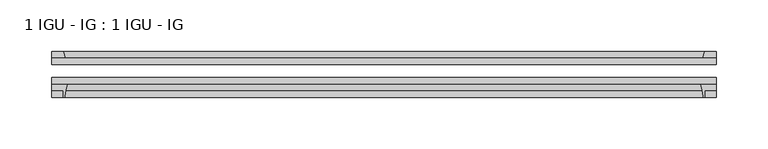
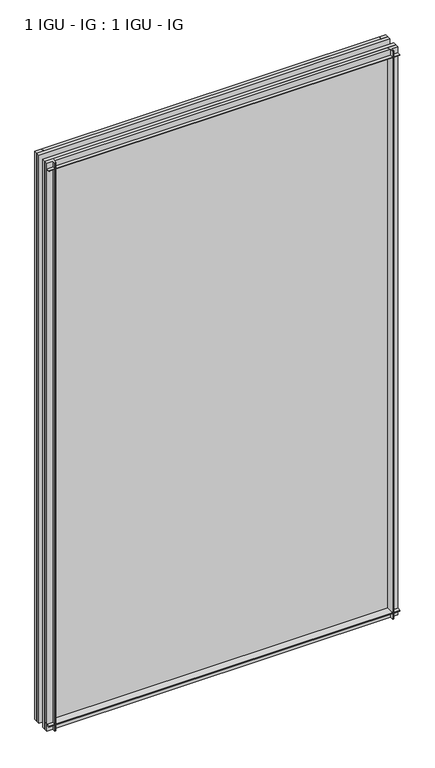
"""IFC4 building model written with IfcOpenShell, lengths in millimetres: plate geometry, 1 IGU - IG : 1 IGU - IG."""

from ifc_helpers import new_model, si_unit, point, frame, frame_2d, origin, place, context, project, spatial, polyline, circle_curve, trimmed, segment, composite_curve, outline, extrude, source, transform, mapped, element, save


def plate_1_igu_ig_1_igu_ig_d3852335(model_context):
    return source(origin(), model_context, "Body", "SweptSolid", [
        extrude(outline(polyline([(340.8983699, -31.75), (340.8983699, -38.1), (-302.7983699, -38.1), (-302.7983699, -31.75), (340.8983699, -31.75)])), frame((0.0, 0.0, -11.1125), z_axis=(0.0, 0.0, 1.0), x_axis=(1.0, 0.0, 0.0)), (0.0, 0.0, 1.0), 1101.725),
        extrude(outline(polyline([(-302.7983699, -12.7), (340.8983699, -12.7), (340.8983699, -19.05), (-302.7983699, -19.05), (-302.7983699, -12.7)])), frame((0.0, 0.0, -11.1125), z_axis=(0.0, 0.0, 1.0), x_axis=(1.0, 0.0, 0.0)), (0.0, 0.0, 1.0), 1101.725),
        extrude(outline(composite_curve([segment(polyline([(-302.7983699, -38.1), (-287.5046907, -38.1)]), True, "CONTINUOUS"), segment(trimmed(circle_curve(frame_2d((-244.2456744, -53.3794536)), 45.8781451), [point((-287.5046907, -38.1))], [point((-290.0059272, -50.0925922))], True, "CARTESIAN"), True, "CONTINUOUS"), segment(trimmed(circle_curve(frame_2d((-290.7659691, -50.038)), 0.762), [point((-290.0059272, -50.0925922))], [point((-290.7659691, -50.8))], False, "CARTESIAN"), True, "CONTINUOUS"), segment(polyline([(-290.7659691, -50.8), (-291.6858699, -50.8), (-291.6858699, -44.45), (-302.7983699, -44.45), (-302.7983699, -38.1)]), True, "CONTINUOUS")], self_intersect=False)), frame((0.0, 0.0, -11.1125), z_axis=(0.0, 0.0, 1.0), x_axis=(1.0, 0.0, 0.0)), (0.0, 0.0, 1.0), 1101.725),
        extrude(outline(polyline([(-289.5805929, -12.7), (-302.7983699, -12.7), (-302.7983699, -6.35), (-291.6858699, -6.35), (-289.5805929, -12.7)])), frame((0.0, 0.0, -11.1125), z_axis=(0.0, 0.0, 1.0), x_axis=(1.0, 0.0, 0.0)), (0.0, 0.0, 1.0), 1101.725),
        extrude(outline(polyline([(340.8983699, -12.7), (327.6805929, -12.7), (329.7858699, -6.35), (340.8983699, -6.35), (340.8983699, -12.7)])), frame((0.0, 0.0, -11.1125), z_axis=(0.0, 0.0, 1.0), x_axis=(1.0, 0.0, 0.0)), (0.0, 0.0, 1.0), 1101.725),
        extrude(outline(composite_curve([segment(polyline([(325.6046907, -38.1), (340.8983699, -38.1), (340.8983699, -44.45), (329.7858699, -44.45), (329.7858699, -50.8), (328.8659691, -50.8)]), True, "CONTINUOUS"), segment(trimmed(circle_curve(frame_2d((328.8659691, -50.038)), 0.762), [point((328.8659691, -50.8))], [point((328.1059272, -50.0925922))], False, "CARTESIAN"), True, "CONTINUOUS"), segment(trimmed(circle_curve(frame_2d((282.3456744, -53.3794536)), 45.8781451), [point((328.1059272, -50.0925922))], [point((325.6046907, -38.1))], True, "CARTESIAN"), True, "CONTINUOUS")], self_intersect=False)), frame((0.0, 0.0, -11.1125), z_axis=(0.0, 0.0, 1.0), x_axis=(1.0, 0.0, 0.0)), (0.0, 0.0, 1.0), 1101.725),
        extrude(outline(polyline([(-12.7, -11.1125), (-12.7, 2.1052771), (-6.35, 0.0), (-6.35, -11.1125), (-12.7, -11.1125)])), frame((-302.7983699, 0.0, 0.0), z_axis=(1.0, 0.0, 0.0), x_axis=(0.0, 1.0, 0.0)), (0.0, 0.0, 1.0), 643.6967399),
        extrude(outline(composite_curve([segment(polyline([(-38.1, 4.1811793), (-38.1, -11.1125), (-44.45, -11.1125), (-44.45, 0.0), (-50.8, 0.0), (-50.8, 0.9199009)]), True, "CONTINUOUS"), segment(trimmed(circle_curve(frame_2d((-50.038, 0.9199009)), 0.762), [point((-50.8, 0.9199009))], [point((-50.0925922, 1.6799428))], False, "CARTESIAN"), True, "CONTINUOUS"), segment(trimmed(circle_curve(frame_2d((-53.3794536, 47.4401956)), 45.8781451), [point((-50.0925922, 1.6799428))], [point((-38.1, 4.1811793))], True, "CARTESIAN"), True, "CONTINUOUS")], self_intersect=False)), frame((-302.7983699, 0.0, 0.0), z_axis=(1.0, 0.0, 0.0), x_axis=(0.0, 1.0, 0.0)), (0.0, 0.0, 1.0), 643.6967399),
        extrude(outline(polyline([(-6.35, 1079.5), (-12.7, 1077.3947229), (-12.7, 1090.6125), (-6.35, 1090.6125), (-6.35, 1079.5)])), frame((-302.7983699, 0.0, 0.0), z_axis=(1.0, 0.0, 0.0), x_axis=(0.0, 1.0, 0.0)), (0.0, 0.0, 1.0), 643.6967399),
        extrude(outline(composite_curve([segment(polyline([(-38.1, 1090.6125), (-38.1, 1075.3188207)]), True, "CONTINUOUS"), segment(trimmed(circle_curve(frame_2d((-53.3794536, 1032.0598044)), 45.8781451), [point((-38.1, 1075.3188207))], [point((-50.0925922, 1077.8200572))], True, "CARTESIAN"), True, "CONTINUOUS"), segment(trimmed(circle_curve(frame_2d((-50.038, 1078.5800991)), 0.762), [point((-50.0925922, 1077.8200572))], [point((-50.8, 1078.5800991))], False, "CARTESIAN"), True, "CONTINUOUS"), segment(polyline([(-50.8, 1078.5800991), (-50.8, 1079.5), (-44.45, 1079.5), (-44.45, 1090.6125), (-38.1, 1090.6125)]), True, "CONTINUOUS")], self_intersect=False)), frame((-302.7983699, 0.0, 0.0), z_axis=(1.0, 0.0, 0.0), x_axis=(0.0, 1.0, 0.0)), (0.0, 0.0, 1.0), 643.6967399),
    ])


if __name__ == "__main__":
    model = new_model("IFC4")
    model_context = context("Model", 3, world=origin())
    ifc_project = project(units=[si_unit("LENGTHUNIT", "METRE", prefix="MILLI")], contexts=[model_context])
    site = spatial("IfcSite", under=ifc_project)
    building = spatial("IfcBuilding", under=site)
    placement = place(None, origin())
    plate_1_igu_ig_1_igu_ig_shape = plate_1_igu_ig_1_igu_ig_d3852335(model_context)
    element("IfcPlate", 1, ObjectType="1 IGU - IG : 1 IGU - IG", at=placement, inside=building, context=model_context, shape_type="MappedRepresentation", body=[
        mapped(plate_1_igu_ig_1_igu_ig_shape, transform((0.0, 0.0, 0.0), x_axis=(1.0, 0.0, 0.0), y_axis=(0.0, 1.0, 0.0), z_axis=(0.0, 0.0, 1.0))),
    ])
    save(model, "model.ifc")
